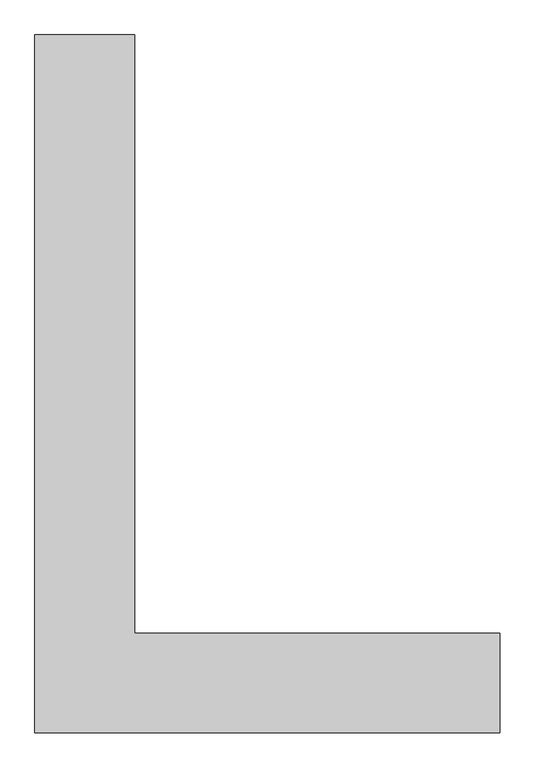
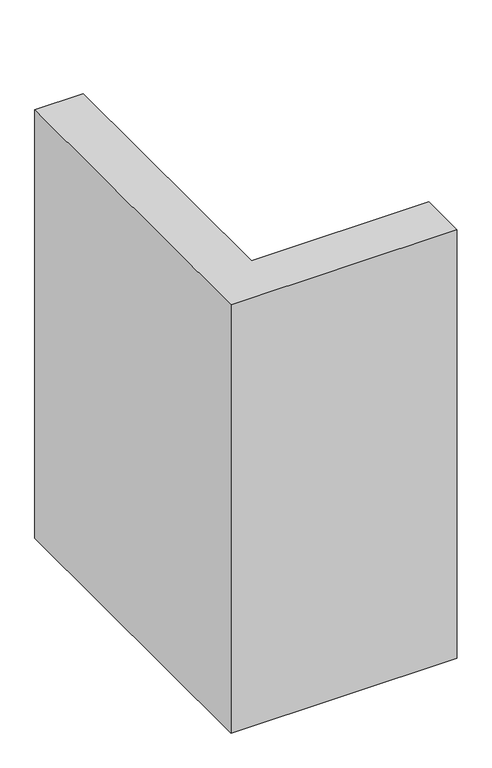
"""IFC4 building model written with IfcOpenShell, lengths in millimetres: column geometry."""

from ifc_helpers import new_model, si_unit, frame, origin, place, context, project, spatial, polyline, outline, extrude, source, transform, mapped, element, save


def column_b005d20e(model_context):
    return source(origin(), model_context, "Body", "SweptSolid", [
        extrude(outline(polyline([(-2040.0, -1260.0), (-2040.0, 840.0), (-1740.0, 840.0), (-1740.0, -960.0), (-640.0, -960.0), (-640.0, -1260.0), (-2040.0, -1260.0)])), frame((0.0, 0.0, 26000.0), z_axis=(0.0, 0.0, 1.0), x_axis=(1.0, 0.0, 0.0)), (0.0, 0.0, 1.0), 2800.0),
    ])


if __name__ == "__main__":
    model = new_model("IFC4")
    model_context = context("Model", 3, world=origin())
    ifc_project = project(units=[si_unit("LENGTHUNIT", "METRE", prefix="MILLI")], contexts=[model_context])
    site = spatial("IfcSite", under=ifc_project)
    building = spatial("IfcBuilding", under=site)
    placement = place(None, origin())
    column_shape = column_b005d20e(model_context)
    element("IfcColumn", 1, at=placement, inside=building, context=model_context, shape_type="MappedRepresentation", body=[
        mapped(column_shape, transform((0.0, 0.0, 0.0), x_axis=(1.0, 0.0, 0.0), y_axis=(0.0, 1.0, 0.0), z_axis=(0.0, 0.0, 1.0))),
    ])
    save(model, "model.ifc")
